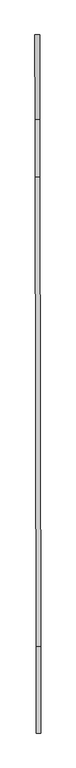
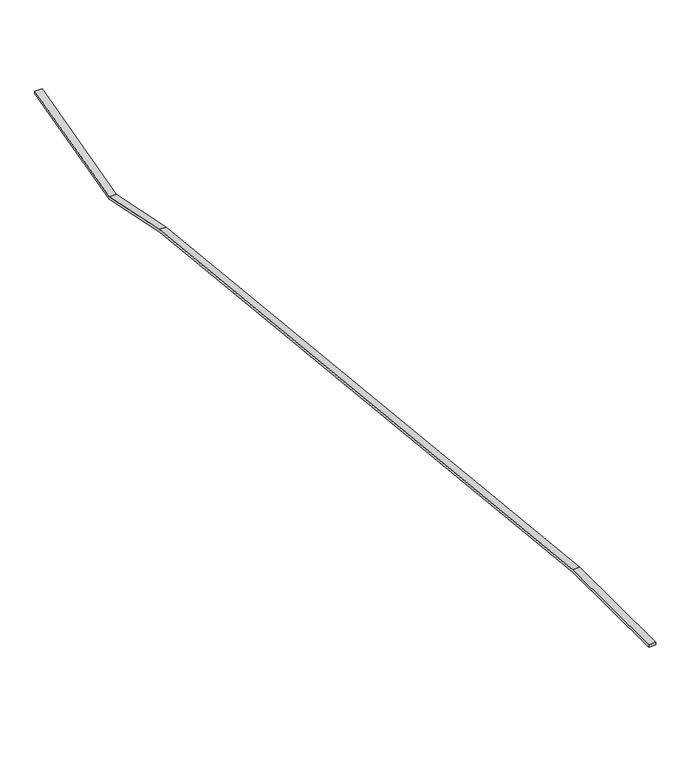
"""IFC4 building model written with IfcOpenShell, lengths in millimetres: proxy geometry."""

from ifc_helpers import new_model, si_unit, point, frame, frame_2d, origin, place, context, project, spatial, polyline, circle_curve, trimmed, segment, composite_curve, outline, extrude, source, transform, mapped, element, save


def generic_models_11b0d10d(model_context):
    return source(origin(), model_context, "Body", "SweptSolid", [
        extrude(outline(composite_curve([segment(polyline([(-2584.6534241, 0.0), (0.0, 0.0), (0.0, -50.0), (-2584.6534241, -50.0)]), True, "CONTINUOUS"), segment(trimmed(circle_curve(frame_2d((-2584.6534241, 70149.203111)), 70199.203111), [point((-2584.6534241, -50.0))], [point((-16678.2376525, 1379.3041652))], False, "CARTESIAN"), True, "CONTINUOUS"), segment(polyline([(-16678.2376525, 1379.3041652), (-18383.2143228, 1728.7191372), (-20922.1966638, 1059.9992519), (-20922.1966638, 1111.7044157), (-18384.6363668, 1780.0497616), (-16668.1993731, 1428.2861308)]), True, "CONTINUOUS"), segment(trimmed(circle_curve(frame_2d((-2584.6534241, 70149.203111)), 70149.203111), [point((-16668.1993731, 1428.2861308))], [point((-2584.6534241, 0.0))], True, "CARTESIAN"), True, "CONTINUOUS")], self_intersect=False)), frame((56447.8962563, 100622.3194409, 14849.9328698), z_axis=(0.9999980070424388, 0.001996474680689501, 0.0), x_axis=(0.001996474680689501, -0.9999980070424388, 0.0)), (0.0, 0.0, 1.0), 140.2875835),
    ])


if __name__ == "__main__":
    model = new_model("IFC4")
    model_context = context("Model", 3, world=origin())
    ifc_project = project(units=[si_unit("LENGTHUNIT", "METRE", prefix="MILLI")], contexts=[model_context])
    site = spatial("IfcSite", under=ifc_project)
    building = spatial("IfcBuilding", under=site)
    placement = place(None, origin())
    generic_models_shape = generic_models_11b0d10d(model_context)
    element("IfcBuildingElementProxy", 1, Name="Generic Models", at=placement, inside=building, context=model_context, shape_type="MappedRepresentation", body=[
        mapped(generic_models_shape, transform((0.0, 0.0, 0.0), x_axis=(1.0, 0.0, 0.0), y_axis=(0.0, 1.0, 0.0), z_axis=(0.0, 0.0, 1.0))),
    ])
    save(model, "model.ifc")
